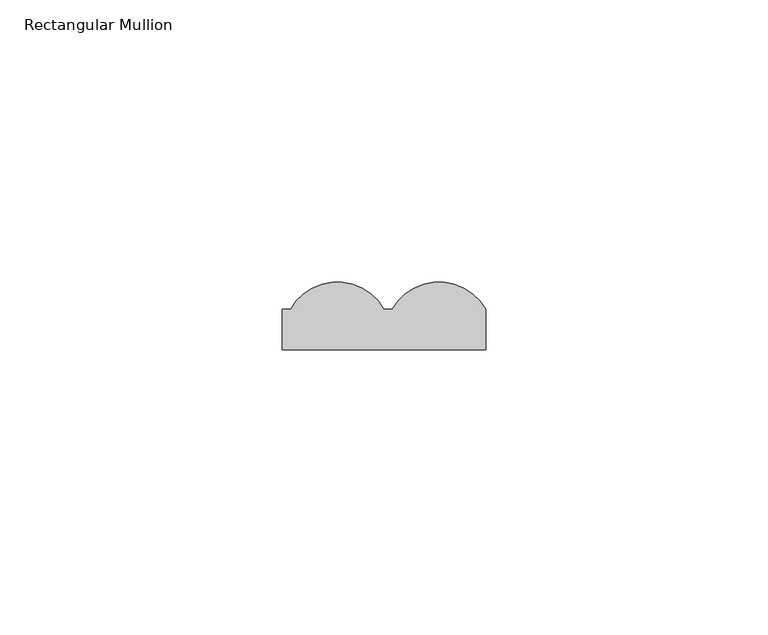
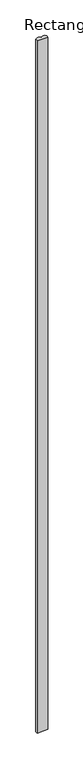
"""IFC4 building model written with IfcOpenShell, lengths in millimetres: member geometry, Rectangular Mullion."""

from ifc_helpers import new_model, si_unit, point, frame, frame_2d, origin, place, context, project, spatial, polyline, circle_curve, trimmed, segment, composite_curve, outline, extrude, source, transform, mapped, element, save


def rectangular_mullion_dd80545e(model_context):
    return source(origin(), model_context, "Body", "SweptSolid", [
        extrude(outline(composite_curve([segment(polyline([(0.0, 7.1682556), (1.4522038, 7.1682556)]), True, "CONTINUOUS"), segment(trimmed(circle_curve(frame_2d((9.7261019, 2.5)), 9.5), [point((1.4522038, 7.1682556))], [point((18.0, 7.1682556))], False, "CARTESIAN"), True, "CONTINUOUS"), segment(polyline([(18.0, 7.1682556), (18.0, 0.0), (-18.0, 0.0), (-18.0, 7.1682556), (-16.5477962, 7.1682556)]), True, "CONTINUOUS"), segment(trimmed(circle_curve(frame_2d((-8.2738981, 2.5)), 9.5), [point((-16.5477962, 7.1682556))], [point((0.0, 7.1682556))], False, "CARTESIAN"), True, "CONTINUOUS")], self_intersect=False)), frame((0.0, 0.0, -2400.0), z_axis=(0.0, 0.0, 1.0), x_axis=(1.0, 0.0, 0.0)), (0.0, 0.0, 1.0), 2400.0),
    ])


if __name__ == "__main__":
    model = new_model("IFC4")
    model_context = context("Model", 3, world=origin())
    ifc_project = project(units=[si_unit("LENGTHUNIT", "METRE", prefix="MILLI")], contexts=[model_context])
    site = spatial("IfcSite", under=ifc_project)
    building = spatial("IfcBuilding", under=site)
    placement = place(None, origin())
    rectangular_mullion_shape = rectangular_mullion_dd80545e(model_context)
    element("IfcMember", 1, ObjectType="Rectangular Mullion", at=placement, inside=building, context=model_context, shape_type="MappedRepresentation", body=[
        mapped(rectangular_mullion_shape, transform((0.0, 0.0, 0.0), x_axis=(1.0, 0.0, 0.0), y_axis=(0.0, 1.0, 0.0), z_axis=(0.0, 0.0, 1.0))),
    ])
    save(model, "model.ifc")
